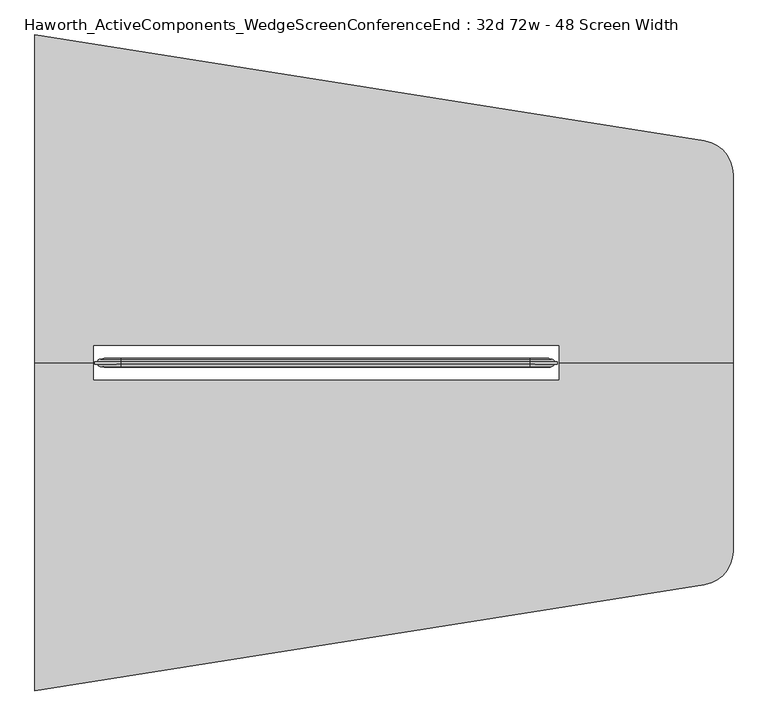
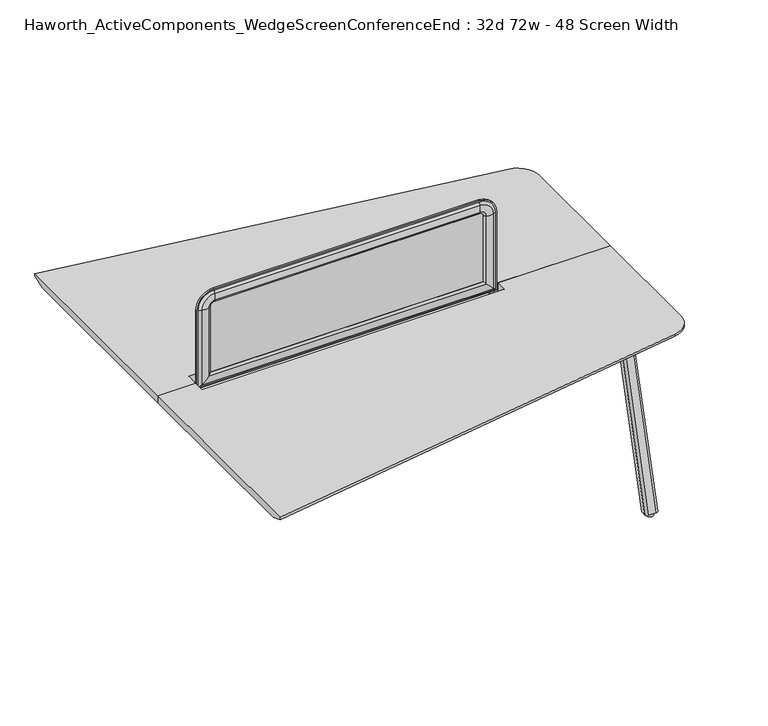
"""IFC4 building model written with IfcOpenShell, lengths in millimetres: furniture geometry, Haworth_ActiveComponents_WedgeScreenConferenceEnd : 32d 72w - 48 Screen Width."""

from ifc_helpers import new_model, si_unit, point, frame, frame_2d, origin, origin_with_axes, place, context, project, spatial, polyline, circle_curve, ellipse_curve, trimmed, segment, composite_curve, outline, extrude, source, transform, mapped, element, save
from ifc_brep_helpers import plane_surface, cylinder_surface, revolved_surface, extruded_surface, advanced_brep


def haworth_activecomponents_wedgescreenconferenceend_32d_72w_48_7e5b8c9e(model_context):
    return source(origin(), model_context, "Body", "SolidModel", [
        advanced_brep(
        [(-313.5096882, 292.3715234, 1050.2564604), (-313.5096882, 298.7215234, 1050.2564604), (-313.5096882, 298.7215234, 715.4852418), (-313.5096882, 292.3715234, 715.4852418), (-297.9815318, 285.7253626, 1050.2564604), (-307.6365135, 292.3715234, 1050.2564604), (-307.6365135, 292.3715234, 721.3584165), (-297.9815318, 285.7253626, 731.0133982), (-269.0002339, 286.2587989, 1050.2564604), (-269.0002339, 286.2587989, 759.994696), (-259.207009, 292.3715234, 1050.2564604), (-259.207009, 292.3715234, 769.787921), (-259.207009, 298.7215234, 1050.2564604), (-259.207009, 298.7215234, 769.787921), (-269.0002339, 304.834248, 1050.2564604), (-269.0002339, 304.834248, 759.994696), (-297.9815318, 305.3676843, 1050.2564604), (-297.9815318, 305.3676843, 731.0133982), (-307.6365135, 298.7215234, 1050.2564604), (-307.6365135, 298.7215234, 721.3584165), (897.7096859, 298.7215234, 715.4852418), (897.7096859, 292.3715234, 715.4852418), (891.8365112, 292.3715234, 721.3584165), (882.1815295, 285.7253626, 731.0133982), (853.2002317, 286.2587989, 759.994696), (843.4070068, 292.3715234, 769.787921), (843.4070068, 298.7215234, 769.787921), (853.2002317, 304.834248, 759.994696), (882.1815295, 305.3676843, 731.0133982), (891.8365112, 298.7215234, 721.3584165), (897.7096859, 298.7215234, 1050.2564604), (897.7096859, 292.3715234, 1050.2564604), (891.8365112, 292.3715234, 1050.2564604), (882.1815295, 285.7253626, 1050.2564604), (853.2002317, 286.2587989, 1050.2564604), (843.4070068, 292.3715234, 1050.2564604), (843.4070068, 298.7215234, 1050.2564604), (853.2002317, 304.834248, 1050.2564604), (882.1815295, 305.3676843, 1050.2564604), (891.8365112, 298.7215234, 1050.2564604), (827.5320068, 292.3715234, 1120.4341395), (827.5320068, 298.7215234, 1120.4341395), (827.5320068, 285.7253626, 1104.9059832), (827.5320068, 292.3715234, 1114.5609648), (827.5320068, 286.2587989, 1075.9246853), (827.5320068, 292.3715234, 1066.1314604), (827.5320068, 298.7215234, 1066.1314604), (827.5320068, 304.834248, 1075.9246853), (827.5320068, 305.3676843, 1104.9059832), (827.5320068, 298.7215234, 1114.5609648), (-243.332009, 298.7215234, 1120.4341395), (-243.332009, 292.3715234, 1120.4341395), (-243.332009, 292.3715234, 1114.5609648), (-243.332009, 285.7253626, 1104.9059832), (-243.332009, 286.2587989, 1075.9246853), (-243.332009, 292.3715234, 1066.1314604), (-243.332009, 298.7215234, 1066.1314604), (-243.332009, 304.834248, 1075.9246853), (-243.332009, 305.3676843, 1104.9059832), (-243.332009, 298.7215234, 1114.5609648)],
        [
            (0, 1),
            (1, 2),
            (2, 3),
            (3, 0),
            (4, 5, circle_curve(frame((-293.7864346, 302.1556977, 1050.2564604), z_axis=(0.0, 0.0, -1.0), x_axis=(0.0, -1.0, 0.0)), 16.9574394)),
            (5, 6),
            (6, 7, ellipse_curve(frame((-293.7864346, 302.1556977, 735.2084954), z_axis=(-0.7071067811865452, 0.0, 0.7071067811865498), x_axis=(0.7071067811865498, 0.0, 0.7071067811865452)), 23.9814408, 16.9574394)),
            (7, 4),
            (8, 4, circle_curve(frame((-284.4606786, 338.680547, 1050.2564604), z_axis=(0.0, 0.0, -1.0), x_axis=(0.0, -1.0, 0.0)), 54.6540486)),
            (7, 9, ellipse_curve(frame((-284.4606786, 338.680547, 744.5342514), z_axis=(-0.7071067811865452, 0.0, 0.7071067811865498), x_axis=(0.7071067811865498, 0.0, 0.7071067811865452)), 77.2924967, 54.6540486)),
            (9, 8),
            (10, 8, circle_curve(frame((-275.0950958, 306.924654, 1050.2564604), z_axis=(0.0, 0.0, -1.0), x_axis=(0.0, -1.0, 0.0)), 21.5458792)),
            (9, 11, ellipse_curve(frame((-275.0950958, 306.924654, 753.8998342), z_axis=(-0.7071067811865452, 0.0, 0.7071067811865498), x_axis=(0.7071067811865498, 0.0, 0.7071067811865452)), 30.4704745, 21.5458792)),
            (11, 10),
            (12, 10),
            (11, 13),
            (13, 12),
            (14, 12, circle_curve(frame((-275.0950958, 284.1683929, 1050.2564604), z_axis=(0.0, 0.0, -1.0), x_axis=(0.0, -1.0, 0.0)), 21.5458792)),
            (13, 15, ellipse_curve(frame((-275.0950958, 284.1683929, 753.8998342), z_axis=(-0.7071067811865452, 0.0, 0.7071067811865498), x_axis=(0.7071067811865498, 0.0, 0.7071067811865452)), 30.4704745, 21.5458792)),
            (15, 14),
            (16, 14, circle_curve(frame((-284.4606786, 252.4124999, 1050.2564604), z_axis=(0.0, 0.0, -1.0), x_axis=(0.0, -1.0, 0.0)), 54.6540486)),
            (15, 17, ellipse_curve(frame((-284.4606786, 252.4124999, 744.5342514), z_axis=(-0.7071067811865452, 0.0, 0.7071067811865498), x_axis=(0.7071067811865498, 0.0, 0.7071067811865452)), 77.2924967, 54.6540486)),
            (17, 16),
            (18, 16, circle_curve(frame((-293.7864346, 288.9373492, 1050.2564604), z_axis=(0.0, 0.0, -1.0), x_axis=(0.0, -1.0, 0.0)), 16.9574394)),
            (17, 19, ellipse_curve(frame((-293.7864346, 288.9373492, 735.2084954), z_axis=(-0.7071067811865452, 0.0, 0.7071067811865498), x_axis=(0.7071067811865498, 0.0, 0.7071067811865452)), 23.9814408, 16.9574394)),
            (19, 18),
            (2, 20),
            (20, 21),
            (21, 3),
            (6, 22),
            (22, 23, ellipse_curve(frame((877.9864323, 302.1556977, 735.2084954), z_axis=(-0.7071067811865497, 0.0, -0.7071067811865454), x_axis=(-0.7071067811865454, 0.0, 0.7071067811865497)), 23.9814408, 16.9574394)),
            (23, 7),
            (23, 24, ellipse_curve(frame((868.6606764, 338.680547, 744.5342514), z_axis=(-0.7071067811865497, 0.0, -0.7071067811865454), x_axis=(-0.7071067811865454, 0.0, 0.7071067811865497)), 77.2924967, 54.6540486)),
            (24, 9),
            (24, 25, ellipse_curve(frame((859.2950935, 306.924654, 753.8998342), z_axis=(-0.7071067811865497, 0.0, -0.7071067811865454), x_axis=(-0.7071067811865454, 0.0, 0.7071067811865497)), 30.4704745, 21.5458792)),
            (25, 11),
            (25, 26),
            (26, 13),
            (26, 27, ellipse_curve(frame((859.2950935, 284.1683929, 753.8998342), z_axis=(-0.7071067811865497, 0.0, -0.7071067811865454), x_axis=(-0.7071067811865454, 0.0, 0.7071067811865497)), 30.4704745, 21.5458792)),
            (27, 15),
            (27, 28, ellipse_curve(frame((868.6606764, 252.4124999, 744.5342514), z_axis=(-0.7071067811865497, 0.0, -0.7071067811865454), x_axis=(-0.7071067811865454, 0.0, 0.7071067811865497)), 77.2924967, 54.6540486)),
            (28, 17),
            (28, 29, ellipse_curve(frame((877.9864323, 288.9373492, 735.2084954), z_axis=(-0.7071067811865497, 0.0, -0.7071067811865454), x_axis=(-0.7071067811865454, 0.0, 0.7071067811865497)), 23.9814408, 16.9574394)),
            (29, 19),
            (20, 30),
            (30, 31),
            (31, 21),
            (22, 32),
            (32, 33, circle_curve(frame((877.9864323, 302.1556977, 1050.2564604), z_axis=(0.0, 0.0, -1.0), x_axis=(0.0, -1.0, 0.0)), 16.9574394)),
            (33, 23),
            (33, 34, circle_curve(frame((868.6606764, 338.680547, 1050.2564604), z_axis=(0.0, 0.0, -1.0), x_axis=(0.0, -1.0, 0.0)), 54.6540486)),
            (34, 24),
            (34, 35, circle_curve(frame((859.2950935, 306.924654, 1050.2564604), z_axis=(0.0, 0.0, -1.0), x_axis=(0.0, -1.0, 0.0)), 21.5458792)),
            (35, 25),
            (35, 36),
            (36, 26),
            (36, 37, circle_curve(frame((859.2950935, 284.1683929, 1050.2564604), z_axis=(0.0, 0.0, -1.0), x_axis=(0.0, -1.0, 0.0)), 21.5458792)),
            (37, 27),
            (37, 38, circle_curve(frame((868.6606764, 252.4124999, 1050.2564604), z_axis=(0.0, 0.0, -1.0), x_axis=(0.0, -1.0, 0.0)), 54.6540486)),
            (38, 28),
            (38, 39, circle_curve(frame((877.9864323, 288.9373492, 1050.2564604), z_axis=(0.0, 0.0, -1.0), x_axis=(0.0, -1.0, 0.0)), 16.9574394)),
            (39, 29),
            (40, 31, circle_curve(frame((827.5320068, 292.3715234, 1050.2564604), z_axis=(0.0, 1.0, 0.0), x_axis=(1.0, 0.0, 0.0)), 70.1776791)),
            (30, 41, circle_curve(frame((827.5320068, 298.7215234, 1050.2564604), z_axis=(0.0, -1.0, 0.0), x_axis=(1.0, 0.0, 0.0)), 70.1776791)),
            (41, 40),
            (42, 33, circle_curve(frame((827.5320068, 285.7253626, 1050.2564604), z_axis=(0.0, 1.0, 0.0), x_axis=(1.0, 0.0, 0.0)), 54.6495228)),
            (32, 43, circle_curve(frame((827.5320068, 292.3715234, 1050.2564604), z_axis=(0.0, -1.0, 0.0), x_axis=(1.0, 0.0, 0.0)), 64.3045045)),
            (43, 42, circle_curve(frame((827.5320068, 302.1556977, 1100.7108859), z_axis=(1.0, 0.0, 0.0), x_axis=(0.0, -1.0, 0.0)), 16.9574394)),
            (44, 34, circle_curve(frame((827.5320068, 286.2587989, 1050.2564604), z_axis=(0.0, 1.0, 0.0), x_axis=(1.0, 0.0, 0.0)), 25.6682249)),
            (42, 44, circle_curve(frame((827.5320068, 338.680547, 1091.38513), z_axis=(1.0, 0.0, 0.0), x_axis=(0.0, -1.0, 0.0)), 54.6540486)),
            (45, 35, circle_curve(frame((827.5320068, 292.3715234, 1050.2564604), z_axis=(0.0, 1.0, 0.0), x_axis=(1.0, 0.0, 0.0)), 15.875)),
            (44, 45, circle_curve(frame((827.5320068, 306.924654, 1082.0195471), z_axis=(1.0, 0.0, 0.0), x_axis=(0.0, -1.0, 0.0)), 21.5458792)),
            (46, 36, circle_curve(frame((827.5320068, 298.7215234, 1050.2564604), z_axis=(0.0, 1.0, 0.0), x_axis=(1.0, 0.0, 0.0)), 15.875)),
            (45, 46),
            (47, 37, circle_curve(frame((827.5320068, 304.834248, 1050.2564604), z_axis=(0.0, 1.0, 0.0), x_axis=(1.0, 0.0, 0.0)), 25.6682249)),
            (46, 47, circle_curve(frame((827.5320068, 284.1683929, 1082.0195471), z_axis=(1.0, 0.0, 0.0), x_axis=(0.0, -1.0, 0.0)), 21.5458792)),
            (48, 38, circle_curve(frame((827.5320068, 305.3676843, 1050.2564604), z_axis=(0.0, 1.0, 0.0), x_axis=(1.0, 0.0, 0.0)), 54.6495228)),
            (47, 48, circle_curve(frame((827.5320068, 252.4124999, 1091.38513), z_axis=(1.0, 0.0, 0.0), x_axis=(0.0, -1.0, 0.0)), 54.6540486)),
            (49, 39, circle_curve(frame((827.5320068, 298.7215234, 1050.2564604), z_axis=(0.0, 1.0, 0.0), x_axis=(1.0, 0.0, 0.0)), 64.3045045)),
            (48, 49, circle_curve(frame((827.5320068, 288.9373492, 1100.7108859), z_axis=(1.0, 0.0, 0.0), x_axis=(0.0, -1.0, 0.0)), 16.9574394)),
            (41, 50),
            (50, 51),
            (51, 40),
            (43, 52),
            (52, 53, circle_curve(frame((-243.332009, 302.1556977, 1100.7108859), z_axis=(1.0, 0.0, 0.0), x_axis=(0.0, -1.0, 0.0)), 16.9574394)),
            (53, 42),
            (53, 54, circle_curve(frame((-243.332009, 338.680547, 1091.38513), z_axis=(1.0, 0.0, 0.0), x_axis=(0.0, -1.0, 0.0)), 54.6540486)),
            (54, 44),
            (54, 55, circle_curve(frame((-243.332009, 306.924654, 1082.0195471), z_axis=(1.0, 0.0, 0.0), x_axis=(0.0, -1.0, 0.0)), 21.5458792)),
            (55, 45),
            (55, 56),
            (56, 46),
            (56, 57, circle_curve(frame((-243.332009, 284.1683929, 1082.0195471), z_axis=(1.0, 0.0, 0.0), x_axis=(0.0, -1.0, 0.0)), 21.5458792)),
            (57, 47),
            (57, 58, circle_curve(frame((-243.332009, 252.4124999, 1091.38513), z_axis=(1.0, 0.0, 0.0), x_axis=(0.0, -1.0, 0.0)), 54.6540486)),
            (58, 48),
            (58, 59, circle_curve(frame((-243.332009, 288.9373492, 1100.7108859), z_axis=(1.0, 0.0, 0.0), x_axis=(0.0, -1.0, 0.0)), 16.9574394)),
            (59, 49),
            (0, 51, circle_curve(frame((-243.332009, 292.3715234, 1050.2564604), z_axis=(0.0, 1.0, 0.0), x_axis=(0.0, 0.0, 1.0)), 70.1776791)),
            (50, 1, circle_curve(frame((-243.332009, 298.7215234, 1050.2564604), z_axis=(0.0, -1.0, 0.0), x_axis=(0.0, 0.0, 1.0)), 70.1776791)),
            (5, 52, circle_curve(frame((-243.332009, 292.3715234, 1050.2564604), z_axis=(0.0, 1.0, 0.0), x_axis=(0.0, 0.0, 1.0)), 64.3045045)),
            (4, 53, circle_curve(frame((-243.332009, 285.7253626, 1050.2564604), z_axis=(0.0, 1.0, 0.0), x_axis=(0.0, 0.0, 1.0)), 54.6495228)),
            (8, 54, circle_curve(frame((-243.332009, 286.2587989, 1050.2564604), z_axis=(0.0, 1.0, 0.0), x_axis=(0.0, 0.0, 1.0)), 25.6682249)),
            (10, 55, circle_curve(frame((-243.332009, 292.3715234, 1050.2564604), z_axis=(0.0, 1.0, 0.0), x_axis=(0.0, 0.0, 1.0)), 15.875)),
            (12, 56, circle_curve(frame((-243.332009, 298.7215234, 1050.2564604), z_axis=(0.0, 1.0, 0.0), x_axis=(0.0, 0.0, 1.0)), 15.875)),
            (14, 57, circle_curve(frame((-243.332009, 304.834248, 1050.2564604), z_axis=(0.0, 1.0, 0.0), x_axis=(0.0, 0.0, 1.0)), 25.6682249)),
            (16, 58, circle_curve(frame((-243.332009, 305.3676843, 1050.2564604), z_axis=(0.0, 1.0, 0.0), x_axis=(0.0, 0.0, 1.0)), 54.6495228)),
            (18, 59, circle_curve(frame((-243.332009, 298.7215234, 1050.2564604), z_axis=(0.0, 1.0, 0.0), x_axis=(0.0, 0.0, 1.0)), 64.3045045)),
        ],
        [
            plane_surface(frame((-313.5096882, 298.7215234, 1050.2564604), z_axis=(-1.0, 0.0, 0.0), x_axis=(0.0, 0.0, -1.0))),
            cylinder_surface(frame((-293.7864346, 302.1556977, 1050.2564604), z_axis=(0.0, 0.0, 1.0), x_axis=(0.0, -1.0, 0.0)), 16.9574394),
            cylinder_surface(frame((-284.4606786, 338.680547, 1050.2564604), z_axis=(0.0, 0.0, 1.0), x_axis=(0.0, -1.0, 0.0)), 54.6540486),
            cylinder_surface(frame((-275.0950958, 306.924654, 1050.2564604), z_axis=(0.0, 0.0, 1.0), x_axis=(0.0, -1.0, 0.0)), 21.5458792),
            plane_surface(frame((-259.207009, 292.3715234, 1050.2564604), z_axis=(1.0, 0.0, 0.0), x_axis=(0.0, 0.0, -1.0))),
            cylinder_surface(frame((-275.0950958, 284.1683929, 1050.2564604), z_axis=(0.0, 0.0, 1.0), x_axis=(0.0, -1.0, 0.0)), 21.5458792),
            cylinder_surface(frame((-284.4606786, 252.4124999, 1050.2564604), z_axis=(0.0, 0.0, 1.0), x_axis=(0.0, -1.0, 0.0)), 54.6540486),
            cylinder_surface(frame((-293.7864346, 288.9373492, 1050.2564604), z_axis=(0.0, 0.0, 1.0), x_axis=(0.0, -1.0, 0.0)), 16.9574394),
            plane_surface(frame((-313.5096882, 298.7215234, 715.4852418), z_axis=(0.0, 0.0, -1.0), x_axis=(1.0, 0.0, 0.0))),
            cylinder_surface(frame((-259.207009, 302.1556977, 735.2084954), z_axis=(-1.0, 0.0, 0.0), x_axis=(0.0, -1.0, 0.0)), 16.9574394),
            cylinder_surface(frame((-259.207009, 338.680547, 744.5342514), z_axis=(-1.0, 0.0, 0.0), x_axis=(0.0, -1.0, 0.0)), 54.6540486),
            cylinder_surface(frame((-259.207009, 306.924654, 753.8998342), z_axis=(-1.0, 0.0, 0.0), x_axis=(0.0, -1.0, 0.0)), 21.5458792),
            plane_surface(frame((-259.207009, 292.3715234, 769.787921), z_axis=(0.0, 0.0, 1.0), x_axis=(1.0, 0.0, 0.0))),
            cylinder_surface(frame((-259.207009, 284.1683929, 753.8998342), z_axis=(-1.0, 0.0, 0.0), x_axis=(0.0, -1.0, 0.0)), 21.5458792),
            cylinder_surface(frame((-259.207009, 252.4124999, 744.5342514), z_axis=(-1.0, 0.0, 0.0), x_axis=(0.0, -1.0, 0.0)), 54.6540486),
            cylinder_surface(frame((-259.207009, 288.9373492, 735.2084954), z_axis=(-1.0, 0.0, 0.0), x_axis=(0.0, -1.0, 0.0)), 16.9574394),
            plane_surface(frame((897.7096859, 298.7215234, 715.4852418), z_axis=(1.0, 0.0, 0.0), x_axis=(0.0, 0.0, 1.0))),
            cylinder_surface(frame((877.9864323, 302.1556977, 769.787921), z_axis=(0.0, 0.0, -1.0), x_axis=(0.0, -1.0, 0.0)), 16.9574394),
            cylinder_surface(frame((868.6606764, 338.680547, 769.787921), z_axis=(0.0, 0.0, -1.0), x_axis=(0.0, -1.0, 0.0)), 54.6540486),
            cylinder_surface(frame((859.2950935, 306.924654, 769.787921), z_axis=(0.0, 0.0, -1.0), x_axis=(0.0, -1.0, 0.0)), 21.5458792),
            plane_surface(frame((843.4070068, 292.3715234, 769.787921), z_axis=(-1.0, 0.0, 0.0), x_axis=(0.0, 0.0, 1.0))),
            cylinder_surface(frame((859.2950935, 284.1683929, 769.787921), z_axis=(0.0, 0.0, -1.0), x_axis=(0.0, -1.0, 0.0)), 21.5458792),
            cylinder_surface(frame((868.6606764, 252.4124999, 769.787921), z_axis=(0.0, 0.0, -1.0), x_axis=(0.0, -1.0, 0.0)), 54.6540486),
            cylinder_surface(frame((877.9864323, 288.9373492, 769.787921), z_axis=(0.0, 0.0, -1.0), x_axis=(0.0, -1.0, 0.0)), 16.9574394),
            cylinder_surface(frame((827.5320068, 292.3715234, 1050.2564604), z_axis=(0.0, -1.0, 0.0), x_axis=(1.0, 0.0, 0.0)), 70.1776791),
            revolved_surface(trimmed(ellipse_curve(frame((877.9864323, 302.1556977, 1050.2564604), z_axis=(0.0, 0.0, -1.0), x_axis=(0.0, -1.0, 0.0)), 16.9574394, 16.9574394), [point((891.8365112, 292.3715234, 1050.2564604))], [point((882.1815295, 285.7253626, 1050.2564604))], True, "CARTESIAN"), (827.5320068, 292.3715234, 1050.2564604), (0.0, -1.0, 0.0)),
            revolved_surface(trimmed(ellipse_curve(frame((868.6606764, 338.680547, 1050.2564604), z_axis=(0.0, 0.0, -1.0), x_axis=(0.0, -1.0, 0.0)), 54.6540486, 54.6540486), [point((882.1815295, 285.7253626, 1050.2564604))], [point((853.2002317, 286.2587989, 1050.2564604))], True, "CARTESIAN"), (827.5320068, 292.3715234, 1050.2564604), (0.0, -1.0, 0.0)),
            revolved_surface(trimmed(ellipse_curve(frame((859.2950935, 306.924654, 1050.2564604), z_axis=(0.0, 0.0, -1.0), x_axis=(0.0, -1.0, 0.0)), 21.5458792, 21.5458792), [point((853.2002317, 286.2587989, 1050.2564604))], [point((843.4070068, 292.3715234, 1050.2564604))], True, "CARTESIAN"), (827.5320068, 292.3715234, 1050.2564604), (0.0, -1.0, 0.0)),
            revolved_surface(polyline([(843.4070068, 292.3715234, 1050.2564604), (843.4070068, 298.7215234, 1050.2564604)]), (827.5320068, 292.3715234, 1050.2564604), (0.0, -1.0, 0.0)),
            revolved_surface(trimmed(ellipse_curve(frame((859.2950935, 284.1683929, 1050.2564604), z_axis=(0.0, 0.0, -1.0), x_axis=(0.0, -1.0, 0.0)), 21.5458792, 21.5458792), [point((843.4070068, 298.7215234, 1050.2564604))], [point((853.2002317, 304.834248, 1050.2564604))], True, "CARTESIAN"), (827.5320068, 292.3715234, 1050.2564604), (0.0, -1.0, 0.0)),
            revolved_surface(trimmed(ellipse_curve(frame((868.6606764, 252.4124999, 1050.2564604), z_axis=(0.0, 0.0, -1.0), x_axis=(0.0, -1.0, 0.0)), 54.6540486, 54.6540486), [point((853.2002317, 304.834248, 1050.2564604))], [point((882.1815295, 305.3676843, 1050.2564604))], True, "CARTESIAN"), (827.5320068, 292.3715234, 1050.2564604), (0.0, -1.0, 0.0)),
            revolved_surface(trimmed(ellipse_curve(frame((877.9864323, 288.9373492, 1050.2564604), z_axis=(0.0, 0.0, -1.0), x_axis=(0.0, -1.0, 0.0)), 16.9574394, 16.9574394), [point((882.1815295, 305.3676843, 1050.2564604))], [point((891.8365112, 298.7215234, 1050.2564604))], True, "CARTESIAN"), (827.5320068, 292.3715234, 1050.2564604), (0.0, -1.0, 0.0)),
            plane_surface(frame((827.5320068, 298.7215234, 1120.4341395), z_axis=(0.0, 0.0, 1.0), x_axis=(-1.0, 0.0, 0.0))),
            cylinder_surface(frame((827.5320068, 302.1556977, 1100.7108859), z_axis=(1.0, 0.0, 0.0), x_axis=(0.0, -1.0, 0.0)), 16.9574394),
            cylinder_surface(frame((827.5320068, 338.680547, 1091.38513), z_axis=(1.0, 0.0, 0.0), x_axis=(0.0, -1.0, 0.0)), 54.6540486),
            cylinder_surface(frame((827.5320068, 306.924654, 1082.0195471), z_axis=(1.0, 0.0, 0.0), x_axis=(0.0, -1.0, 0.0)), 21.5458792),
            plane_surface(frame((827.5320068, 292.3715234, 1066.1314604), z_axis=(0.0, 0.0, -1.0), x_axis=(-1.0, 0.0, 0.0))),
            cylinder_surface(frame((827.5320068, 284.1683929, 1082.0195471), z_axis=(1.0, 0.0, 0.0), x_axis=(0.0, -1.0, 0.0)), 21.5458792),
            cylinder_surface(frame((827.5320068, 252.4124999, 1091.38513), z_axis=(1.0, 0.0, 0.0), x_axis=(0.0, -1.0, 0.0)), 54.6540486),
            cylinder_surface(frame((827.5320068, 288.9373492, 1100.7108859), z_axis=(1.0, 0.0, 0.0), x_axis=(0.0, -1.0, 0.0)), 16.9574394),
            cylinder_surface(frame((-243.332009, 292.3715234, 1050.2564604), z_axis=(0.0, -1.0, 0.0), x_axis=(0.0, 0.0, 1.0)), 70.1776791),
            plane_surface(frame((-243.332009, 292.3715234, 1050.2564604), z_axis=(0.0, -1.0, 0.0), x_axis=(0.0, 0.0, 1.0))),
            revolved_surface(trimmed(ellipse_curve(frame((-243.332009, 302.1556977, 1100.7108859), z_axis=(1.0, 0.0, 0.0), x_axis=(0.0, -1.0, 0.0)), 16.9574394, 16.9574394), [point((-243.332009, 292.3715234, 1114.5609648))], [point((-243.332009, 285.7253626, 1104.9059832))], True, "CARTESIAN"), (-243.332009, 292.3715234, 1050.2564604), (0.0, -1.0, 0.0)),
            revolved_surface(trimmed(ellipse_curve(frame((-243.332009, 338.680547, 1091.38513), z_axis=(1.0, 0.0, 0.0), x_axis=(0.0, -1.0, 0.0)), 54.6540486, 54.6540486), [point((-243.332009, 285.7253626, 1104.9059832))], [point((-243.332009, 286.2587989, 1075.9246853))], True, "CARTESIAN"), (-243.332009, 292.3715234, 1050.2564604), (0.0, -1.0, 0.0)),
            revolved_surface(trimmed(ellipse_curve(frame((-243.332009, 306.924654, 1082.0195471), z_axis=(1.0, 0.0, 0.0), x_axis=(0.0, -1.0, 0.0)), 21.5458792, 21.5458792), [point((-243.332009, 286.2587989, 1075.9246853))], [point((-243.332009, 292.3715234, 1066.1314604))], True, "CARTESIAN"), (-243.332009, 292.3715234, 1050.2564604), (0.0, -1.0, 0.0)),
            revolved_surface(polyline([(-243.332009, 292.3715234, 1066.1314604), (-243.332009, 298.7215234, 1066.1314604)]), (-243.332009, 292.3715234, 1050.2564604), (0.0, -1.0, 0.0)),
            revolved_surface(trimmed(ellipse_curve(frame((-243.332009, 284.1683929, 1082.0195471), z_axis=(1.0, 0.0, 0.0), x_axis=(0.0, -1.0, 0.0)), 21.5458792, 21.5458792), [point((-243.332009, 298.7215234, 1066.1314604))], [point((-243.332009, 304.834248, 1075.9246853))], True, "CARTESIAN"), (-243.332009, 292.3715234, 1050.2564604), (0.0, -1.0, 0.0)),
            revolved_surface(trimmed(ellipse_curve(frame((-243.332009, 252.4124999, 1091.38513), z_axis=(1.0, 0.0, 0.0), x_axis=(0.0, -1.0, 0.0)), 54.6540486, 54.6540486), [point((-243.332009, 304.834248, 1075.9246853))], [point((-243.332009, 305.3676843, 1104.9059832))], True, "CARTESIAN"), (-243.332009, 292.3715234, 1050.2564604), (0.0, -1.0, 0.0)),
            revolved_surface(trimmed(ellipse_curve(frame((-243.332009, 288.9373492, 1100.7108859), z_axis=(1.0, 0.0, 0.0), x_axis=(0.0, -1.0, 0.0)), 16.9574394, 16.9574394), [point((-243.332009, 305.3676843, 1104.9059832))], [point((-243.332009, 298.7215234, 1114.5609648))], True, "CARTESIAN"), (-243.332009, 292.3715234, 1050.2564604), (0.0, -1.0, 0.0)),
            plane_surface(frame((-243.332009, 298.7215234, 1050.2564604), z_axis=(0.0, 1.0, 0.0), x_axis=(0.0, 0.0, 1.0))),
        ],
        [
            (0, [[1, 2, 3, 4]]),
            (1, [[5, 6, 7, 8]]),
            (2, [[9, -8, 10, 11]]),
            (3, [[12, -11, 13, 14]]),
            (4, [[15, -14, 16, 17]]),
            (5, [[18, -17, 19, 20]]),
            (6, [[21, -20, 22, 23]]),
            (7, [[24, -23, 25, 26]]),
            (8, [[-3, 27, 28, 29]]),
            (9, [[-7, 30, 31, 32]]),
            (10, [[-10, -32, 33, 34]]),
            (11, [[-13, -34, 35, 36]]),
            (12, [[-16, -36, 37, 38]]),
            (13, [[-19, -38, 39, 40]]),
            (14, [[-22, -40, 41, 42]]),
            (15, [[-25, -42, 43, 44]]),
            (16, [[-28, 45, 46, 47]]),
            (17, [[-31, 48, 49, 50]]),
            (18, [[-33, -50, 51, 52]]),
            (19, [[-35, -52, 53, 54]]),
            (20, [[-37, -54, 55, 56]]),
            (21, [[-39, -56, 57, 58]]),
            (22, [[-41, -58, 59, 60]]),
            (23, [[-43, -60, 61, 62]]),
            (24, [[63, -46, 64, 65]]),
            (25, [[66, -49, 67, 68]]),
            (26, [[69, -51, -66, 70]]),
            (27, [[71, -53, -69, 72]]),
            (28, [[73, -55, -71, 74]]),
            (29, [[75, -57, -73, 76]]),
            (30, [[77, -59, -75, 78]]),
            (31, [[79, -61, -77, 80]]),
            (32, [[-65, 81, 82, 83]]),
            (33, [[-68, 84, 85, 86]]),
            (34, [[-70, -86, 87, 88]]),
            (35, [[-72, -88, 89, 90]]),
            (36, [[-74, -90, 91, 92]]),
            (37, [[-76, -92, 93, 94]]),
            (38, [[-78, -94, 95, 96]]),
            (39, [[-80, -96, 97, 98]]),
            (40, [[99, -82, 100, -1]]),
            (41, [[-63, -83, -99, -4, -29, -47], [101, -84, -67, -48, -30, -6]]),
            (42, [[102, -85, -101, -5]]),
            (43, [[103, -87, -102, -9]]),
            (44, [[104, -89, -103, -12]]),
            (45, [[105, -91, -104, -15]]),
            (46, [[106, -93, -105, -18]]),
            (47, [[107, -95, -106, -21]]),
            (48, [[108, -97, -107, -24]]),
            (49, [[-100, -81, -64, -45, -27, -2], [-79, -98, -108, -26, -44, -62]]),
        ],
    ),
        extrude(outline(composite_curve([segment(polyline([(769.787921, 843.4070068), (1050.2564604, 843.4070068)]), True, "CONTINUOUS"), segment(trimmed(circle_curve(frame_2d((1050.2564604, 827.5320068)), 15.875), [point((1050.2564604, 843.4070068))], [point((1066.1314604, 827.5320068))], False, "CARTESIAN"), True, "CONTINUOUS"), segment(polyline([(1066.1314604, 827.5320068), (1066.1314604, -243.332009)]), True, "CONTINUOUS"), segment(trimmed(circle_curve(frame_2d((1050.2564604, -243.332009)), 15.875), [point((1066.1314604, -243.332009))], [point((1050.2564604, -259.207009))], False, "CARTESIAN"), True, "CONTINUOUS"), segment(polyline([(1050.2564604, -259.207009), (769.787921, -259.207009), (769.787921, 843.4070068)]), True, "CONTINUOUS")], self_intersect=False)), frame((0.0, 292.3715234, 0.0), z_axis=(0.0, 1.0, 0.0), x_axis=(0.0, 0.0, 1.0)), (0.0, 0.0, 1.0), 6.35),
        advanced_brep(
        [(903.2875, 341.5840234, 741.3625), (903.2875, 295.5465234, 741.3625), (1358.9, 295.5465234, 741.3625), (1358.9, 788.802786, 741.3625), (1283.9070239, 876.6082795, 741.3625), (-469.9, 1154.3840234, 741.3625), (-469.9, 295.5465234, 741.3625), (-317.5, 295.5465234, 741.3625), (-317.5, 341.5840234, 741.3625), (903.2875, 341.5840234, 711.2), (-317.5, 341.5840234, 711.2), (-317.5, 295.5465234, 711.2), (-469.9, 295.5465234, 711.2), (-469.9, 1102.9507951, 711.2), (1275.9601531, 826.4337118, 711.2), (1308.1, 788.802786, 711.2), (1308.1, 295.5465234, 711.2), (903.2875, 295.5465234, 711.2), (-469.9, 1154.3840234, 731.8375), (1358.9, 295.5465234, 731.8375), (1358.9, 788.802786, 731.8375), (1283.9070239, 876.6082795, 731.8375)],
        [
            (0, 1),
            (1, 2),
            (2, 3),
            (3, 4, circle_curve(frame((1270.0, 788.802786, 741.3625), z_axis=(0.0, 0.0, 1.0), x_axis=(1.0, 0.0, 0.0)), 88.9)),
            (4, 5),
            (5, 6),
            (6, 7),
            (7, 8),
            (8, 0),
            (9, 10),
            (10, 11),
            (11, 12),
            (12, 13),
            (13, 14),
            (14, 15, circle_curve(frame((1270.0, 788.802786, 711.2), z_axis=(0.0, 0.0, -1.0), x_axis=(0.15643446504022915, 0.987688340595138, 0.0)), 38.1)),
            (15, 16),
            (16, 17),
            (17, 9),
            (8, 10),
            (9, 0),
            (5, 18),
            (18, 13),
            (12, 6),
            (2, 19),
            (19, 20),
            (20, 3),
            (1, 17),
            (16, 19),
            (4, 21),
            (21, 18),
            (20, 21, circle_curve(frame((1270.0, 788.802786, 731.8375), z_axis=(0.0, 0.0, 1.0), x_axis=(1.0, 0.0, 0.0)), 88.9)),
            (21, 14),
            (20, 15),
            (7, 11),
        ],
        [
            plane_surface(frame((-317.5, 341.5840234, 741.3625), z_axis=(0.0, 0.0, 1.0), x_axis=(-1.0, 0.0, 0.0))),
            plane_surface(frame((-317.5, 341.5840234, 711.2), z_axis=(0.0, 0.0, -1.0), x_axis=(1.0, 0.0, 0.0))),
            plane_surface(frame((903.2875, 341.5840234, 741.3625), z_axis=(0.0, -1.0, 0.0), x_axis=(0.0, 0.0, -1.0))),
            plane_surface(frame((-469.9, 295.5465234, 741.3625), z_axis=(-1.0, 0.0, 0.0), x_axis=(0.0, 0.0, -1.0))),
            plane_surface(frame((1358.9, 788.802786, 741.3625), z_axis=(1.0, 0.0, 0.0), x_axis=(0.0, 0.0, -1.0))),
            plane_surface(frame((1358.9, 295.5465234, 741.3625), z_axis=(0.0, -1.0, 0.0), x_axis=(0.0, 0.0, -1.0))),
            plane_surface(frame((903.2875, 295.5465234, 741.3625), z_axis=(-1.0, 0.0, 0.0), x_axis=(0.0, 0.0, -1.0))),
            plane_surface(frame((-469.9, 1154.3840234, 741.3625), z_axis=(0.1564344650402403, 0.9876883405951362, 0.0), x_axis=(0.0, 0.0, -1.0))),
            cylinder_surface(frame((1270.0, 788.802786, 711.2), z_axis=(0.0, 0.0, 1.0), x_axis=(1.0, 0.0, 0.0)), 88.9),
            plane_surface(frame((-469.9, 1154.3840234, 731.8375), z_axis=(0.05887834199406404, 0.37174322094655393, -0.9264665771220847), x_axis=(0.9876883405951362, -0.15643446504024036, 0.0))),
            revolved_surface(polyline([(1275.9601531, 826.4337118, 711.2), (1283.9070239, 876.6082795, 731.8375)]), (1270.0, 788.802786, 741.3625), (0.0, 0.0, 1.0)),
            plane_surface(frame((1358.9, 788.802786, 731.8375), z_axis=(0.3763770469564906, 0.0, -0.9264665771220848), x_axis=(0.0, -1.0, 0.0))),
            plane_surface(frame((-317.5, 341.5840234, 741.3625), z_axis=(1.0, 0.0, 0.0), x_axis=(0.0, 0.0, -1.0))),
            plane_surface(frame((-317.5, 295.5465234, 741.3625), z_axis=(0.0, -1.0, 0.0), x_axis=(0.0, 0.0, -1.0))),
        ],
        [
            (0, [[1, 2, 3, 4, 5, 6, 7, 8, 9]]),
            (1, [[10, 11, 12, 13, 14, 15, 16, 17, 18]]),
            (2, [[19, -10, 20, -9]]),
            (3, [[21, 22, -13, 23, -6]]),
            (4, [[24, 25, 26, -3]]),
            (5, [[27, -17, 28, -24, -2]]),
            (6, [[-20, -18, -27, -1]]),
            (7, [[29, 30, -21, -5]]),
            (8, [[-26, 31, -29, -4]]),
            (9, [[-14, -22, -30, 32]]),
            (10, [[-31, 33, -15, -32]]),
            (11, [[-25, -28, -16, -33]]),
            (12, [[34, -11, -19, -8]]),
            (13, [[-23, -12, -34, -7]]),
        ],
    ),
        advanced_brep(
        [(903.2875, 249.5090234, 741.3625), (-317.5, 249.5090234, 741.3625), (-317.5, 295.5465234, 741.3625), (-469.9, 295.5465234, 741.3625), (-469.9, -563.2909766, 741.3625), (1283.9070239, -285.5152326, 741.3625), (1358.9, -197.7097392, 741.3625), (1358.9, 295.5465234, 741.3625), (903.2875, 295.5465234, 741.3625), (903.2875, 249.5090234, 711.2), (903.2875, 295.5465234, 711.2), (1308.1, 295.5465234, 711.2), (1308.1, -197.7097392, 711.2), (1275.9601531, -235.3406649, 711.2), (-469.9, -511.8577482, 711.2), (-469.9, 295.5465234, 711.2), (-317.5, 295.5465234, 711.2), (-317.5, 249.5090234, 711.2), (-469.9, -563.2909766, 731.8375), (1358.9, -197.7097392, 731.8375), (1358.9, 295.5465234, 731.8375), (1283.9070239, -285.5152326, 731.8375)],
        [
            (0, 1),
            (1, 2),
            (2, 3),
            (3, 4),
            (4, 5),
            (5, 6, circle_curve(frame((1270.0, -197.7097392, 741.3625), z_axis=(0.0, 0.0, 1.0), x_axis=(1.0, 0.0, 0.0)), 88.9)),
            (6, 7),
            (7, 8),
            (8, 0),
            (9, 10),
            (10, 11),
            (11, 12),
            (12, 13, circle_curve(frame((1270.0, -197.7097392, 711.2), z_axis=(0.0, 0.0, -1.0), x_axis=(0.1564344650402228, -0.987688340595139, 0.0)), 38.1)),
            (13, 14),
            (14, 15),
            (15, 16),
            (16, 17),
            (17, 9),
            (0, 9),
            (17, 1),
            (3, 15),
            (14, 18),
            (18, 4),
            (6, 19),
            (19, 20),
            (20, 7),
            (20, 11),
            (10, 8),
            (18, 21),
            (21, 5),
            (21, 19, circle_curve(frame((1270.0, -197.7097392, 731.8375), z_axis=(0.0, 0.0, 1.0), x_axis=(1.0, 0.0, 0.0)), 88.9)),
            (13, 21),
            (12, 19),
            (16, 2),
        ],
        [
            plane_surface(frame((-317.5, 249.5090234, 741.3625), z_axis=(0.0, 0.0, 1.0), x_axis=(-1.0, 0.0, 0.0))),
            plane_surface(frame((-317.5, 249.5090234, 711.2), z_axis=(0.0, 0.0, -1.0), x_axis=(1.0, 0.0, 0.0))),
            plane_surface(frame((903.2875, 249.5090234, 741.3625), z_axis=(0.0, 1.0, 0.0), x_axis=(0.0, 0.0, -1.0))),
            plane_surface(frame((-469.9, 295.5465234, 741.3625), z_axis=(-1.0, 0.0, 0.0), x_axis=(0.0, 0.0, -1.0))),
            plane_surface(frame((1358.9, -197.7097392, 741.3625), z_axis=(1.0, 0.0, 0.0), x_axis=(0.0, 0.0, -1.0))),
            plane_surface(frame((1358.9, 295.5465234, 741.3625), z_axis=(0.0, 1.0, 0.0), x_axis=(0.0, 0.0, -1.0))),
            plane_surface(frame((903.2875, 295.5465234, 741.3625), z_axis=(-1.0, 0.0, 0.0), x_axis=(0.0, 0.0, -1.0))),
            plane_surface(frame((-469.9, -563.2909766, 741.3625), z_axis=(0.15643446504023395, -0.9876883405951372, 0.0), x_axis=(0.0, 0.0, -1.0))),
            cylinder_surface(frame((1270.0, -197.7097392, 711.2), z_axis=(0.0, 0.0, 1.0), x_axis=(1.0, 0.0, 0.0)), 88.9),
            plane_surface(frame((-469.9, -563.2909766, 731.8375), z_axis=(0.05887834199406165, -0.3717432209465543, -0.9264665771220847), x_axis=(0.9876883405951372, 0.156434465040234, 0.0))),
            revolved_surface(polyline([(1275.9601531, -235.3406649, 711.2), (1283.9070239, -285.5152326, 731.8375)]), (1270.0, -197.7097392, 741.3625), (0.0, 0.0, 1.0)),
            plane_surface(frame((1358.9, -197.7097392, 731.8375), z_axis=(0.3763770469564906, 0.0, -0.9264665771220848), x_axis=(0.0, 1.0, 0.0))),
            plane_surface(frame((-317.5, 249.5090234, 741.3625), z_axis=(1.0, 0.0, 0.0), x_axis=(0.0, 0.0, -1.0))),
            plane_surface(frame((-317.5, 295.5465234, 741.3625), z_axis=(0.0, 1.0, 0.0), x_axis=(0.0, 0.0, -1.0))),
        ],
        [
            (0, [[1, 2, 3, 4, 5, 6, 7, 8, 9]]),
            (1, [[10, 11, 12, 13, 14, 15, 16, 17, 18]]),
            (2, [[-1, 19, -18, 20]]),
            (3, [[-4, 21, -15, 22, 23]]),
            (4, [[-7, 24, 25, 26]]),
            (5, [[-8, -26, 27, -11, 28]]),
            (6, [[-9, -28, -10, -19]]),
            (7, [[-5, -23, 29, 30]]),
            (8, [[-6, -30, 31, -24]]),
            (9, [[32, -29, -22, -14]]),
            (10, [[-32, -13, 33, -31]]),
            (11, [[-33, -12, -27, -25]]),
            (12, [[-2, -20, -17, 34]]),
            (13, [[-3, -34, -16, -21]]),
        ],
    ),
        extrude(outline(composite_curve([segment(polyline([(1209.294, 605.0660641), (1101.3440004, 605.0660641)]), True, "CONTINUOUS"), segment(trimmed(circle_curve(frame_2d((1101.3440004, 614.5910641)), 9.525), [point((1101.3440004, 605.0660641))], [point((1091.8190004, 614.5910641))], False, "CARTESIAN"), True, "CONTINUOUS"), segment(polyline([(1091.8190004, 614.5910641), (1091.8190004, 697.2644335)]), True, "CONTINUOUS"), segment(trimmed(circle_curve(frame_2d((1101.3440004, 697.2644335)), 9.525), [point((1091.8190004, 697.2644335))], [point((1101.3440004, 706.7894335))], False, "CARTESIAN"), True, "CONTINUOUS"), segment(polyline([(1101.3440004, 706.7894335), (1209.294, 706.7894335)]), True, "CONTINUOUS"), segment(trimmed(circle_curve(frame_2d((1209.294, 697.2644335)), 9.525), [point((1209.294, 706.7894335))], [point((1218.819, 697.2644335))], False, "CARTESIAN"), True, "CONTINUOUS"), segment(polyline([(1218.819, 697.2644335), (1218.819, 614.5910641)]), True, "CONTINUOUS"), segment(trimmed(circle_curve(frame_2d((1209.294, 614.5910641)), 9.525), [point((1218.819, 614.5910641))], [point((1209.294, 605.0660641))], False, "CARTESIAN"), True, "CONTINUOUS")], self_intersect=False)), frame((0.0, 0.0, 705.2055742), z_axis=(0.0, 0.0, 1.0), x_axis=(1.0, 0.0, 0.0)), (0.0, 0.0, 1.0), 5.9944258),
        advanced_brep(
        [(1203.325, 699.5652734, 705.2055742), (1171.575, 699.5652734, 705.2055742), (1162.05, 690.0402734, 705.2055742), (1162.05, 669.4027734, 705.2055742), (1212.85, 669.4027734, 705.2055742), (1212.85, 690.0402734, 705.2055742), (1203.325, 886.0535641, 12.7), (1212.85, 876.5285641, 12.7), (1212.85, 855.8910641, 12.7), (1162.05, 855.8910641, 12.7), (1162.05, 876.5285641, 12.7), (1171.575, 886.0535641, 12.7)],
        [
            (0, 1),
            (1, 2, circle_curve(frame((1171.575, 690.0402734, 705.2055742), z_axis=(0.0, 0.0, 1.0), x_axis=(1.0, 0.0, 0.0)), 9.525)),
            (2, 3),
            (3, 4),
            (4, 5),
            (5, 0, circle_curve(frame((1203.325, 690.0402734, 705.2055742), z_axis=(0.0, 0.0, 1.0), x_axis=(1.0, 0.0, 0.0)), 9.525)),
            (6, 7, circle_curve(frame((1203.325, 876.5285641, 12.7), z_axis=(0.0, 0.0, -1.0), x_axis=(1.0, 0.0, 0.0)), 9.525)),
            (7, 8),
            (8, 9),
            (9, 10),
            (10, 11, circle_curve(frame((1171.575, 876.5285641, 12.7), z_axis=(0.0, 0.0, -1.0), x_axis=(1.0, 0.0, 0.0)), 9.525)),
            (11, 6),
            (6, 0),
            (5, 7),
            (4, 8),
            (3, 9),
            (2, 10),
            (1, 11),
        ],
        [
            plane_surface(frame((1187.45, 686.3361068, 705.2055742), z_axis=(0.0, 0.0, 1.0), x_axis=(-1.0, 0.0, 0.0))),
            plane_surface(frame((1187.45, 872.8243975, 12.7), z_axis=(0.0, 0.0, -1.0), x_axis=(-1.0, 0.0, 0.0))),
            extruded_surface(trimmed(circle_curve(frame((1203.325, 690.0402734, 705.2055742), z_axis=(0.0, 0.0, -1.0), x_axis=(1.0, 0.0, 0.0)), 9.525), [point((1203.325, 699.5652734, 705.2055742))], [point((1212.85, 690.0402734, 705.2055742))], True, "CARTESIAN"), (0.0, 186.4882907, -692.5055742), 717.1763052878136),
            plane_surface(frame((1212.85, 866.2098141, 12.7), z_axis=(1.0, 0.0, 0.0), x_axis=(0.0, -1.0, 0.0))),
            plane_surface(frame((1187.45, 855.8910641, 12.7), z_axis=(0.0, -0.9656001865922422, -0.260031305140414), x_axis=(-1.0, 0.0, 0.0))),
            plane_surface(frame((1162.05, 866.2098141, 12.7), z_axis=(-1.0, 0.0, 0.0), x_axis=(0.0, 1.0, 0.0))),
            extruded_surface(trimmed(circle_curve(frame((1171.575, 690.0402734, 705.2055742), z_axis=(0.0, 0.0, -1.0), x_axis=(1.0, 0.0, 0.0)), 9.525), [point((1162.05, 690.0402734, 705.2055742))], [point((1171.575, 699.5652734, 705.2055742))], True, "CARTESIAN"), (0.0, 186.4882907, -692.5055742), 717.1763052878136),
            plane_surface(frame((1187.45, 886.0535641, 12.7), z_axis=(0.0, 0.9656001865922422, 0.260031305140414), x_axis=(1.0, 0.0, 0.0))),
        ],
        [
            (0, [[1, 2, 3, 4, 5, 6]]),
            (1, [[7, 8, 9, 10, 11, 12]]),
            (2, [[13, -6, 14, -7]]),
            (3, [[-14, -5, 15, -8]]),
            (4, [[-15, -4, 16, -9]]),
            (5, [[-16, -3, 17, -10]]),
            (6, [[-17, -2, 18, -11]]),
            (7, [[-18, -1, -13, -12]]),
        ],
    ),
        extrude(outline(composite_curve([segment(trimmed(circle_curve(frame_2d((1187.45, 870.1785641)), 12.7), [point((1174.75, 870.1785641))], [point((1200.15, 870.1785641))], False, "CARTESIAN"), True, "CONTINUOUS"), segment(trimmed(circle_curve(frame_2d((1187.45, 870.1785641)), 12.7), [point((1200.15, 870.1785641))], [point((1174.75, 870.1785641))], False, "CARTESIAN"), True, "CONTINUOUS")], self_intersect=False)), origin_with_axes(), (0.0, 0.0, 1.0), 12.7),
        extrude(outline(composite_curve([segment(trimmed(circle_curve(frame_2d((1209.294, -23.4980172)), 9.525), [point((1209.294, -13.9730172))], [point((1218.819, -23.4980172))], False, "CARTESIAN"), True, "CONTINUOUS"), segment(polyline([(1218.819, -23.4980172), (1218.819, -106.1713866)]), True, "CONTINUOUS"), segment(trimmed(circle_curve(frame_2d((1209.294, -106.1713866)), 9.525), [point((1218.819, -106.1713866))], [point((1209.294, -115.6963866))], False, "CARTESIAN"), True, "CONTINUOUS"), segment(polyline([(1209.294, -115.6963866), (1101.3440004, -115.6963866)]), True, "CONTINUOUS"), segment(trimmed(circle_curve(frame_2d((1101.3440004, -106.1713866)), 9.525), [point((1101.3440004, -115.6963866))], [point((1091.8190004, -106.1713866))], False, "CARTESIAN"), True, "CONTINUOUS"), segment(polyline([(1091.8190004, -106.1713866), (1091.8190004, -23.4980172)]), True, "CONTINUOUS"), segment(trimmed(circle_curve(frame_2d((1101.3440004, -23.4980172)), 9.525), [point((1091.8190004, -23.4980172))], [point((1101.3440004, -13.9730172))], False, "CARTESIAN"), True, "CONTINUOUS"), segment(polyline([(1101.3440004, -13.9730172), (1209.294, -13.9730172)]), True, "CONTINUOUS")], self_intersect=False)), frame((0.0, 0.0, 705.2055742), z_axis=(0.0, 0.0, 1.0), x_axis=(1.0, 0.0, 0.0)), (0.0, 0.0, 1.0), 5.9944258),
        advanced_brep(
        [(1203.325, -108.4722266, 705.2055742), (1212.85, -98.9472266, 705.2055742), (1212.85, -78.3097266, 705.2055742), (1162.05, -78.3097266, 705.2055742), (1162.05, -98.9472266, 705.2055742), (1171.575, -108.4722266, 705.2055742), (1203.325, -294.9605172, 12.7), (1171.575, -294.9605172, 12.7), (1162.05, -285.4355172, 12.7), (1162.05, -264.7980172, 12.7), (1212.85, -264.7980172, 12.7), (1212.85, -285.4355172, 12.7)],
        [
            (0, 1, circle_curve(frame((1203.325, -98.9472266, 705.2055742), z_axis=(0.0, 0.0, 1.0), x_axis=(1.0, 0.0, 0.0)), 9.525)),
            (1, 2),
            (2, 3),
            (3, 4),
            (4, 5, circle_curve(frame((1171.575, -98.9472266, 705.2055742), z_axis=(0.0, 0.0, 1.0), x_axis=(1.0, 0.0, 0.0)), 9.525)),
            (5, 0),
            (6, 7),
            (7, 8, circle_curve(frame((1171.575, -285.4355172, 12.7), z_axis=(0.0, 0.0, -1.0), x_axis=(1.0, 0.0, 0.0)), 9.525)),
            (8, 9),
            (9, 10),
            (10, 11),
            (11, 6, circle_curve(frame((1203.325, -285.4355172, 12.7), z_axis=(0.0, 0.0, -1.0), x_axis=(1.0, 0.0, 0.0)), 9.525)),
            (11, 1),
            (0, 6),
            (10, 2),
            (9, 3),
            (8, 4),
            (7, 5),
        ],
        [
            plane_surface(frame((1187.45, -95.2430599, 705.2055742), z_axis=(0.0, 0.0, 1.0), x_axis=(-1.0, 0.0, 0.0))),
            plane_surface(frame((1187.45, -281.7313506, 12.7), z_axis=(0.0, 0.0, -1.0), x_axis=(-1.0, 0.0, 0.0))),
            extruded_surface(trimmed(circle_curve(frame((1203.325, -285.4355172, 12.7), z_axis=(0.0, 0.0, 1.0), x_axis=(1.0, 0.0, 0.0)), 9.525), [point((1203.325, -294.9605172, 12.7))], [point((1212.85, -285.4355172, 12.7))], True, "CARTESIAN"), (0.0, 186.4882906, 692.5055742), 717.1763052618106),
            plane_surface(frame((1212.85, -275.1167672, 12.7), z_axis=(1.0, 0.0, 0.0), x_axis=(0.0, 1.0, 0.0))),
            plane_surface(frame((1187.45, -264.7980172, 12.7), z_axis=(0.0, 0.9656001865922422, -0.260031305140414), x_axis=(-1.0, 0.0, 0.0))),
            plane_surface(frame((1162.05, -275.1167672, 12.7), z_axis=(-1.0, 0.0, 0.0), x_axis=(0.0, -1.0, 0.0))),
            extruded_surface(trimmed(circle_curve(frame((1171.575, -285.4355172, 12.7), z_axis=(0.0, 0.0, 1.0), x_axis=(1.0, 0.0, 0.0)), 9.525), [point((1162.05, -285.4355172, 12.7))], [point((1171.575, -294.9605172, 12.7))], True, "CARTESIAN"), (0.0, 186.4882906, 692.5055742), 717.1763052618106),
            plane_surface(frame((1187.45, -294.9605172, 12.7), z_axis=(0.0, -0.9656001865922422, 0.260031305140414), x_axis=(1.0, 0.0, 0.0))),
        ],
        [
            (0, [[1, 2, 3, 4, 5, 6]]),
            (1, [[7, 8, 9, 10, 11, 12]]),
            (2, [[-12, 13, -1, 14]]),
            (3, [[-11, 15, -2, -13]]),
            (4, [[-10, 16, -3, -15]]),
            (5, [[-9, 17, -4, -16]]),
            (6, [[-8, 18, -5, -17]]),
            (7, [[-7, -14, -6, -18]]),
        ],
    ),
        extrude(outline(composite_curve([segment(trimmed(circle_curve(frame_2d((1187.45, -279.0855172)), 12.7), [point((1174.75, -279.0855172))], [point((1200.15, -279.0855172))], False, "CARTESIAN"), True, "CONTINUOUS"), segment(trimmed(circle_curve(frame_2d((1187.45, -279.0855172)), 12.7), [point((1200.15, -279.0855172))], [point((1174.75, -279.0855172))], False, "CARTESIAN"), True, "CONTINUOUS")], self_intersect=False)), origin_with_axes(), (0.0, 0.0, 1.0), 12.7),
    ])


if __name__ == "__main__":
    model = new_model("IFC4")
    model_context = context("Model", 3, world=origin())
    ifc_project = project(units=[si_unit("LENGTHUNIT", "METRE", prefix="MILLI")], contexts=[model_context])
    site = spatial("IfcSite", under=ifc_project)
    building = spatial("IfcBuilding", under=site)
    placement = place(None, origin())
    haworth_activecomponents_wedgescreenconferenceend_32d_72w_48_shape = haworth_activecomponents_wedgescreenconferenceend_32d_72w_48_7e5b8c9e(model_context)
    element("IfcFurniture", 1, ObjectType="Haworth_ActiveComponents_WedgeScreenConferenceEnd : 32d 72w - 48 Screen Width", at=placement, inside=building, context=model_context, shape_type="MappedRepresentation", body=[
        mapped(haworth_activecomponents_wedgescreenconferenceend_32d_72w_48_shape, transform((0.0, 0.0, 0.0), x_axis=(1.0, 0.0, 0.0), y_axis=(0.0, 1.0, 0.0), z_axis=(0.0, 0.0, 1.0))),
    ])
    save(model, "model.ifc")
